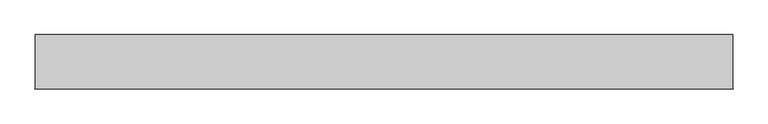
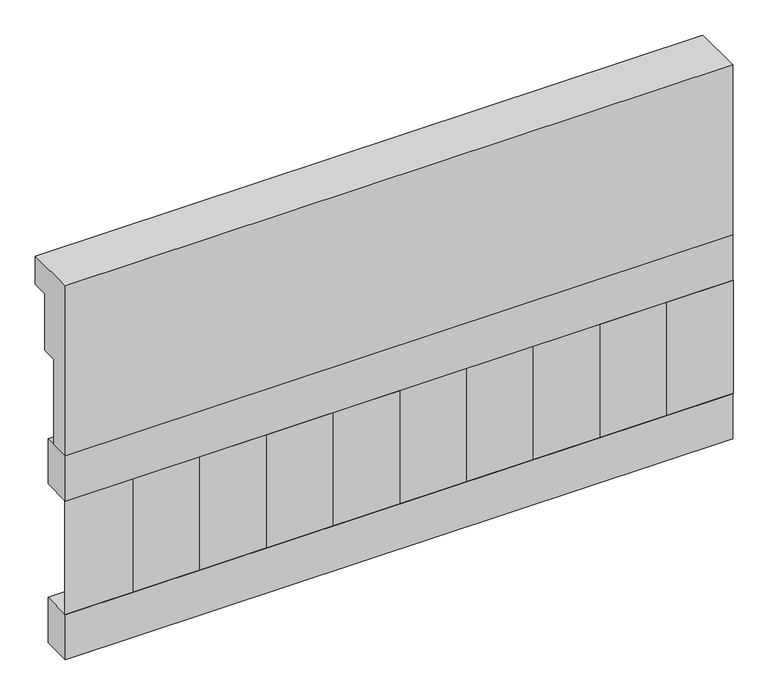
"""IFC4 building model written with IfcOpenShell, lengths in millimetres: railing geometry."""

from ifc_helpers import new_model, si_unit, frame, origin, place, context, project, spatial, polyline, outline, extrude, source, transform, mapped, element, save


def railing_db2d7a10(model_context):
    return source(origin(), model_context, "Body", "SweptSolid", [
        extrude(outline(polyline([(903.1079487, 18500.0), (1033.1079487, 18500.0), (1033.1079487, 18425.0), (993.1079487, 18425.0), (993.1079487, 18275.0), (953.1079487, 18275.0), (953.1079487, 18050.0), (903.1079487, 18050.0), (903.1079487, 18500.0)])), frame((-15749.9887159, 0.0, 0.0), z_axis=(1.0, 0.0, 0.0), x_axis=(0.0, 1.0, 0.0)), (0.0, 0.0, 1.0), 1670.0),
        extrude(outline(polyline([(-14079.9887159, 978.1079487), (-14079.9887159, 903.1079487), (-15749.9887159, 903.1079487), (-15749.9887159, 978.1079487), (-14079.9887159, 978.1079487)])), frame((0.0, 0.0, 17930.0), z_axis=(0.0, 0.0, 1.0), x_axis=(1.0, 0.0, 0.0)), (0.0, 0.0, 1.0), 120.0),
        extrude(outline(polyline([(-14079.9887159, 978.1079487), (-14079.9887159, 903.1079487), (-15749.9887159, 903.1079487), (-15749.9887159, 978.1079487), (-14079.9887159, 978.1079487)])), frame((0.0, 0.0, 17510.0), z_axis=(0.0, 0.0, 1.0), x_axis=(1.0, 0.0, 0.0)), (0.0, 0.0, 1.0), 120.0),
        extrude(outline(polyline([(-15666.4887159, 987.9607624), (-15581.6359022, 903.1079487), (-15751.3415296, 903.1079487), (-15666.4887159, 987.9607624)])), frame((0.0, 0.0, 17630.0), z_axis=(0.0, 0.0, 1.0), x_axis=(1.0, 0.0, 0.0)), (0.0, 0.0, 1.0), 300.0),
        extrude(outline(polyline([(-15499.4887159, 987.9607624), (-15414.6359022, 903.1079487), (-15584.3415296, 903.1079487), (-15499.4887159, 987.9607624)])), frame((0.0, 0.0, 17630.0), z_axis=(0.0, 0.0, 1.0), x_axis=(1.0, 0.0, 0.0)), (0.0, 0.0, 1.0), 300.0),
        extrude(outline(polyline([(-15332.4887159, 987.9607624), (-15247.6359022, 903.1079487), (-15417.3415296, 903.1079487), (-15332.4887159, 987.9607624)])), frame((0.0, 0.0, 17630.0), z_axis=(0.0, 0.0, 1.0), x_axis=(1.0, 0.0, 0.0)), (0.0, 0.0, 1.0), 300.0),
        extrude(outline(polyline([(-15165.4887159, 987.9607624), (-15080.6359022, 903.1079487), (-15250.3415296, 903.1079487), (-15165.4887159, 987.9607624)])), frame((0.0, 0.0, 17630.0), z_axis=(0.0, 0.0, 1.0), x_axis=(1.0, 0.0, 0.0)), (0.0, 0.0, 1.0), 300.0),
        extrude(outline(polyline([(-14998.4887159, 987.9607624), (-14913.6359022, 903.1079487), (-15083.3415296, 903.1079487), (-14998.4887159, 987.9607624)])), frame((0.0, 0.0, 17630.0), z_axis=(0.0, 0.0, 1.0), x_axis=(1.0, 0.0, 0.0)), (0.0, 0.0, 1.0), 300.0),
        extrude(outline(polyline([(-14831.4887159, 987.9607624), (-14746.6359022, 903.1079487), (-14916.3415296, 903.1079487), (-14831.4887159, 987.9607624)])), frame((0.0, 0.0, 17630.0), z_axis=(0.0, 0.0, 1.0), x_axis=(1.0, 0.0, 0.0)), (0.0, 0.0, 1.0), 300.0),
        extrude(outline(polyline([(-14664.4887159, 987.9607624), (-14579.6359022, 903.1079487), (-14749.3415296, 903.1079487), (-14664.4887159, 987.9607624)])), frame((0.0, 0.0, 17630.0), z_axis=(0.0, 0.0, 1.0), x_axis=(1.0, 0.0, 0.0)), (0.0, 0.0, 1.0), 300.0),
        extrude(outline(polyline([(-14497.4887159, 987.9607624), (-14412.6359022, 903.1079487), (-14582.3415296, 903.1079487), (-14497.4887159, 987.9607624)])), frame((0.0, 0.0, 17630.0), z_axis=(0.0, 0.0, 1.0), x_axis=(1.0, 0.0, 0.0)), (0.0, 0.0, 1.0), 300.0),
        extrude(outline(polyline([(-14330.4887159, 987.9607624), (-14245.6359022, 903.1079487), (-14415.3415296, 903.1079487), (-14330.4887159, 987.9607624)])), frame((0.0, 0.0, 17630.0), z_axis=(0.0, 0.0, 1.0), x_axis=(1.0, 0.0, 0.0)), (0.0, 0.0, 1.0), 300.0),
        extrude(outline(polyline([(-14163.4887159, 987.9607624), (-14078.6359022, 903.1079487), (-14248.3415296, 903.1079487), (-14163.4887159, 987.9607624)])), frame((0.0, 0.0, 17630.0), z_axis=(0.0, 0.0, 1.0), x_axis=(1.0, 0.0, 0.0)), (0.0, 0.0, 1.0), 300.0),
    ])


if __name__ == "__main__":
    model = new_model("IFC4")
    model_context = context("Model", 3, world=origin())
    ifc_project = project(units=[si_unit("LENGTHUNIT", "METRE", prefix="MILLI")], contexts=[model_context])
    site = spatial("IfcSite", under=ifc_project)
    building = spatial("IfcBuilding", under=site)
    placement = place(None, origin())
    railing_shape = railing_db2d7a10(model_context)
    element("IfcRailing", 1, at=placement, inside=building, context=model_context, shape_type="MappedRepresentation", body=[
        mapped(railing_shape, transform((0.0, 0.0, 0.0), x_axis=(1.0, 0.0, 0.0), y_axis=(0.0, 1.0, 0.0), z_axis=(0.0, 0.0, 1.0))),
    ])
    save(model, "model.ifc")
